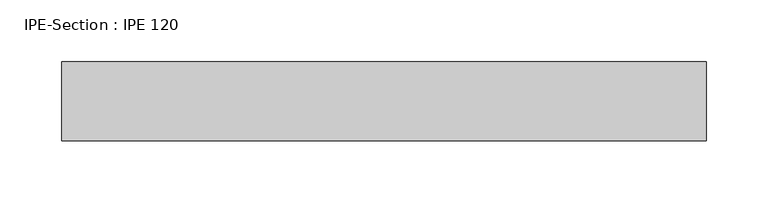
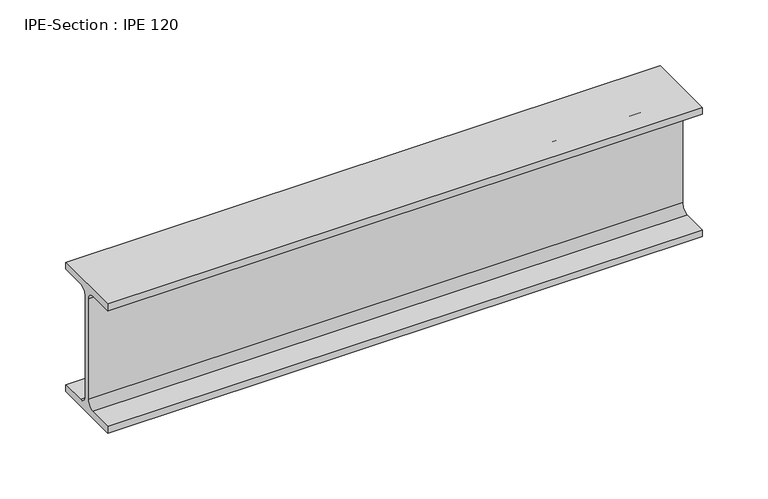
"""IFC4 building model written with IfcOpenShell, lengths in millimetres: beam geometry, IPE-Section : IPE 120."""

import ifcopenshell
import ifcopenshell.guid

model = None  # the IFC model being written
_history = None  # IfcOwnerHistory: only IFC2X3 demands one
_inside = {}  # id of a spatial element -> (the spatial element, [elements in it])
_under = {}  # id of a project, library or spatial element -> (it, [spatial elements below it])
_declared = {}  # id of a project -> (the project, [libraries it declares])
_typed = {}  # id of a type object -> (the type object, [elements of that type])
_made_of = {}  # id of a material, layer set ... -> (it, [elements and type objects made of it])


def new_model(schema):
    """Start an empty IFC model of exactly this schema.

    Asked for "IFC4X3", IfcOpenShell would pick the latest addendum, in which some entities
    have other attributes; the version numbers below select the first issue.
    IFC2X3 requires an IfcOwnerHistory on every rooted entity: one is made here for all.
    """
    global model, _history
    if schema == "IFC4X3":
        model = ifcopenshell.file(schema_version=(4, 3, 0, 0))
    else:
        model = ifcopenshell.file(schema=schema)
    _inside.clear()
    _under.clear()
    _declared.clear()
    _typed.clear()
    _made_of.clear()
    _history = None
    if model.schema == "IFC2X3":
        org = make("IfcOrganization", Name="unknown")
        user = make(
            "IfcPersonAndOrganization",
            ThePerson=make("IfcPerson", FamilyName="unknown"),
            TheOrganization=org,
        )
        app = make(
            "IfcApplication",
            ApplicationDeveloper=org,
            Version="unknown",
            ApplicationFullName="unknown",
            ApplicationIdentifier="unknown",
        )
        _history = make(
            "IfcOwnerHistory",
            OwningUser=user,
            OwningApplication=app,
            ChangeAction="ADDED",
            CreationDate=0,
        )
    return model


def make(cls, **values):
    """One entity of the class cls with the attributes given. An attribute that is None is left unset."""
    return model.create_entity(
        cls, **{name: value for name, value in values.items() if value is not None}
    )


def rooted(cls, **values):
    """An entity with a GlobalId (a new one), such as an element, a storey or a relation."""
    return make(cls, GlobalId=ifcopenshell.guid.new(), OwnerHistory=_history, **values)


def si_unit(unit_type, name, prefix=None):
    """IfcSIUnit, for example si_unit("LENGTHUNIT", "METRE", prefix="MILLI")."""
    return make("IfcSIUnit", UnitType=unit_type, Prefix=prefix, Name=name)


def assignment(units):
    """IfcUnitAssignment: the units of a project."""
    return None if units is None else make("IfcUnitAssignment", Units=units)


def point(xyz):
    """IfcCartesianPoint."""
    return None if xyz is None else make("IfcCartesianPoint", Coordinates=xyz)


def direction(xyz):
    """IfcDirection."""
    return None if xyz is None else make("IfcDirection", DirectionRatios=xyz)


def frame(location, z_axis=None, x_axis=None):
    """IfcAxis2Placement3D, a coordinate frame: its origin and axes. An axis left out is left unset."""
    return make(
        "IfcAxis2Placement3D",
        Location=point(location),
        Axis=direction(z_axis),
        RefDirection=direction(x_axis),
    )


def frame_2d(location, x_axis=None):
    """IfcAxis2Placement2D, a coordinate frame in the plane: its origin and x axis."""
    return make(
        "IfcAxis2Placement2D", Location=point(location), RefDirection=direction(x_axis)
    )


def origin():
    """The frame at (0, 0, 0) with its axes left unset."""
    return frame((0.0, 0.0, 0.0))


def place(relative_to, where):
    """IfcLocalPlacement: puts the frame where relative to a parent placement (None: the world)."""
    return make(
        "IfcLocalPlacement", PlacementRelTo=relative_to, RelativePlacement=where
    )


def context(
    kind, dimensions, precision=None, world=None, true_north=None, identifier=None
):
    """IfcGeometricRepresentationContext, for example the 3D "Model" context."""
    return make(
        "IfcGeometricRepresentationContext",
        ContextIdentifier=identifier,
        ContextType=kind,
        CoordinateSpaceDimension=dimensions,
        Precision=precision,
        WorldCoordinateSystem=world,
        TrueNorth=true_north,
    )


def project(units=None, contexts=None):
    """IfcProject with its units and contexts."""
    return rooted(
        "IfcProject",
        Name="project",
        RepresentationContexts=contexts,
        UnitsInContext=assignment(units),
    )


def spatial(cls, under=None, at=None, **own):
    """A site, building, storey or space (cls), placed at a placement, below another one or the project."""
    s = rooted(cls, ObjectPlacement=at, **own)
    if under is not None:
        _under.setdefault(under.id(), (under, []))[1].append(s)
    return s


def polyline(points):
    """IfcPolyline through the points."""
    return make("IfcPolyline", Points=[point(p) for p in points])


def circle_curve(where, radius):
    """IfcCircle in the frame where."""
    return make("IfcCircle", Position=where, Radius=radius)


def trimmed(basis, trim1, trim2, sense, master):
    """IfcTrimmedCurve: the piece of a basis curve between two trims."""
    return make(
        "IfcTrimmedCurve",
        BasisCurve=basis,
        Trim1=trim1,
        Trim2=trim2,
        SenseAgreement=sense,
        MasterRepresentation=master,
    )


def segment(curve, same_sense, transition):
    """IfcCompositeCurveSegment."""
    return make(
        "IfcCompositeCurveSegment",
        Transition=transition,
        SameSense=same_sense,
        ParentCurve=curve,
    )


def composite_curve(segments, self_intersect=None):
    """IfcCompositeCurve: segments joined end to end."""
    return make("IfcCompositeCurve", Segments=segments, SelfIntersect=self_intersect)


def outline(outer, holes=None, kind="AREA"):
    """IfcArbitraryClosedProfileDef: a profile drawn as a closed curve; with holes, ...WithVoids."""
    if holes is None:
        return make("IfcArbitraryClosedProfileDef", ProfileType=kind, OuterCurve=outer)
    return make(
        "IfcArbitraryProfileDefWithVoids",
        ProfileType=kind,
        OuterCurve=outer,
        InnerCurves=holes,
    )


def extrude(swept, where, along, depth):
    """IfcExtrudedAreaSolid: the profile swept, set in the frame where, extruded along a direction by depth."""
    return make(
        "IfcExtrudedAreaSolid",
        SweptArea=swept,
        Position=where,
        ExtrudedDirection=direction(along),
        Depth=depth,
    )


def shape(context_of_items, identifier, shape_type, items):
    """IfcShapeRepresentation: the items that make up one representation, for example the "Body"."""
    return make(
        "IfcShapeRepresentation",
        ContextOfItems=context_of_items,
        RepresentationIdentifier=identifier,
        RepresentationType=shape_type,
        Items=items,
    )


def source(mapping_origin, context_of_items, identifier, shape_type, items):
    """IfcRepresentationMap: a shape defined once, which mapped items show again and again."""
    return make(
        "IfcRepresentationMap",
        MappingOrigin=mapping_origin,
        MappedRepresentation=shape(context_of_items, identifier, shape_type, items),
    )


def transform(
    local_origin,
    x_axis=None,
    y_axis=None,
    z_axis=None,
    scale=None,
    scale2=None,
    scale3=None,
    uniform=True,
):
    """IfcCartesianTransformationOperator3D, or its non-uniform kind. x_axis, y_axis, z_axis: its Axis1, 2, 3."""
    if uniform:
        return make(
            "IfcCartesianTransformationOperator3D",
            Axis1=direction(x_axis),
            Axis2=direction(y_axis),
            LocalOrigin=point(local_origin),
            Scale=scale,
            Axis3=direction(z_axis),
        )
    return make(
        "IfcCartesianTransformationOperator3DnonUniform",
        Axis1=direction(x_axis),
        Axis2=direction(y_axis),
        LocalOrigin=point(local_origin),
        Scale=scale,
        Axis3=direction(z_axis),
        Scale2=scale2,
        Scale3=scale3,
    )


def mapped(mapping_source, mapping_target):
    """IfcMappedItem: shows the shape of a source again, moved by a transform."""
    return make(
        "IfcMappedItem", MappingSource=mapping_source, MappingTarget=mapping_target
    )


def made_of(thing, what):
    """Note that an element or type object is made of a material, layer set ...; save() writes the relation."""
    if what is not None:
        _made_of.setdefault(what.id(), (what, []))[1].append(thing)
    return thing


def element(
    cls,
    number,
    at=None,
    inside=None,
    cuts=None,
    type_object=None,
    material=None,
    context=None,
    identifier="Body",
    shape_type=None,
    held_by="IfcProductDefinitionShape",
    body=None,
    shapes=None,
    **own,
):
    """One element of the class cls, such as IfcWall. Its Tag is "e" and its number.

    at: its placement. inside: the storey or other place that contains it. cuts: it is an
    opening in that element (IfcRelVoidsElement). A single representation is given by context,
    identifier, shape_type and body (its items); several are given by shapes. held_by: the class
    of the entity that holds the representations. save() writes the other relations.
    """
    e = rooted(cls, Tag="e%d" % number, ObjectPlacement=at, **own)
    if body is not None:
        shapes = [shape(context, identifier, shape_type, body)]
    if shapes is not None:
        e.Representation = make(held_by, Representations=shapes)
    if inside is not None:
        _inside.setdefault(inside.id(), (inside, []))[1].append(e)
    if cuts is not None:
        rooted(
            "IfcRelVoidsElement", RelatingBuildingElement=cuts, RelatedOpeningElement=e
        )
    if type_object is not None:
        _typed.setdefault(type_object.id(), (type_object, []))[1].append(e)
    return made_of(e, material)


def aggregate(whole, parts):
    """IfcRelAggregates: a whole, such as a stair, and the parts it consists of."""
    return rooted("IfcRelAggregates", RelatingObject=whole, RelatedObjects=parts)


def save(model, path):
    """Write the relations noted so far, then the file.

    IfcRelAggregates (storeys below a building ...), IfcRelContainedInSpatialStructure (elements
    in a storey), IfcRelDefinesByType, IfcRelAssociatesMaterial and IfcRelDeclares: one each for
    every whole, place, type object, material and project.
    """
    for whole, parts in _under.values():
        aggregate(whole, parts)
    for where, things in _inside.values():
        rooted(
            "IfcRelContainedInSpatialStructure",
            RelatedElements=things,
            RelatingStructure=where,
        )
    for kind, things in _typed.values():
        rooted("IfcRelDefinesByType", RelatedObjects=things, RelatingType=kind)
    for what, things in _made_of.values():
        rooted("IfcRelAssociatesMaterial", RelatedObjects=things, RelatingMaterial=what)
    for by, libraries in _declared.values():
        rooted("IfcRelDeclares", RelatingContext=by, RelatedDefinitions=libraries)
    model.write(path)


def ipe_section_ipe_120_d0fddaf1(model_context):
    return source(origin(), model_context, "Body", "SweptSolid", [
        extrude(outline(composite_curve([segment(polyline([(-32.0, -53.7), (-9.2, -53.7)]), True, "CONTINUOUS"), segment(trimmed(circle_curve(frame_2d((-9.2, -46.7)), 7.0), [point((-9.2, -53.7))], [point((-2.2, -46.7))], True, "CARTESIAN"), True, "CONTINUOUS"), segment(polyline([(-2.2, -46.7), (-2.2, 46.7)]), True, "CONTINUOUS"), segment(trimmed(circle_curve(frame_2d((-9.2, 46.7)), 7.0), [point((-2.2, 46.7))], [point((-9.2, 53.7))], True, "CARTESIAN"), True, "CONTINUOUS"), segment(polyline([(-9.2, 53.7), (-32.0, 53.7), (-32.0, 60.0), (32.0, 60.0), (32.0, 53.7), (9.2, 53.7)]), True, "CONTINUOUS"), segment(trimmed(circle_curve(frame_2d((9.2, 46.7)), 7.0), [point((9.2, 53.7))], [point((2.2, 46.7))], True, "CARTESIAN"), True, "CONTINUOUS"), segment(polyline([(2.2, 46.7), (2.2, -46.7)]), True, "CONTINUOUS"), segment(trimmed(circle_curve(frame_2d((9.2, -46.7)), 7.0), [point((2.2, -46.7))], [point((9.2, -53.7))], True, "CARTESIAN"), True, "CONTINUOUS"), segment(polyline([(9.2, -53.7), (32.0, -53.7), (32.0, -60.0), (-32.0, -60.0), (-32.0, -53.7)]), True, "CONTINUOUS")], self_intersect=False)), frame((-223.5200206, 0.0, 0.0), z_axis=(1.0, 0.0, 0.0), x_axis=(0.0, 1.0, 0.0)), (0.0, 0.0, 1.0), 522.0440428),
    ])


if __name__ == "__main__":
    model = new_model("IFC4")
    model_context = context("Model", 3, world=origin())
    ifc_project = project(units=[si_unit("LENGTHUNIT", "METRE", prefix="MILLI")], contexts=[model_context])
    site = spatial("IfcSite", under=ifc_project)
    building = spatial("IfcBuilding", under=site)
    placement = place(None, origin())
    ipe_section_ipe_120_shape = ipe_section_ipe_120_d0fddaf1(model_context)
    element("IfcBeam", 1, ObjectType="IPE-Section : IPE 120", at=placement, inside=building, context=model_context, shape_type="MappedRepresentation", body=[
        mapped(ipe_section_ipe_120_shape, transform((0.0, 0.0, 0.0), x_axis=(1.0, 0.0, 0.0), y_axis=(0.0, 1.0, 0.0), z_axis=(0.0, 0.0, 1.0))),
    ])
    save(model, "model.ifc")
